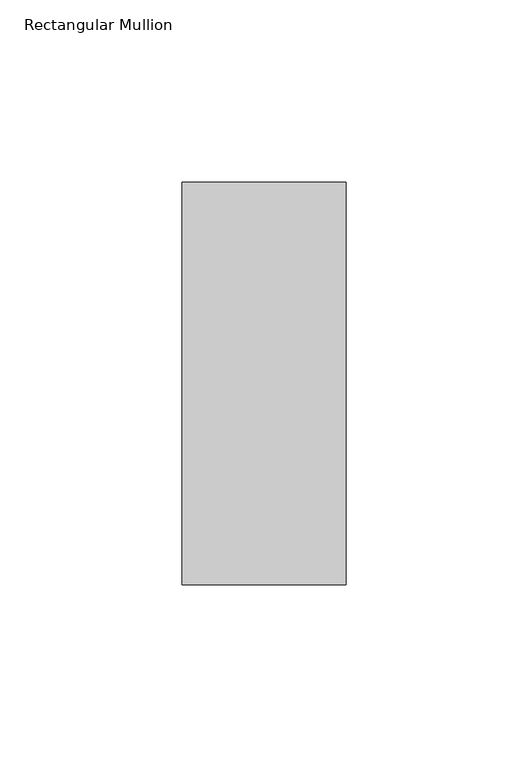
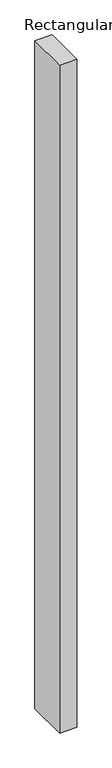
"""IFC4 building model written with IfcOpenShell, lengths in millimetres: member geometry, Rectangular Mullion."""

from ifc_helpers import new_model, si_unit, frame, origin, place, context, project, spatial, polyline, outline, extrude, source, transform, mapped, element, save


def rectangular_mullion_1a9bd3f8(model_context):
    return source(origin(), model_context, "Body", "SweptSolid", [
        extrude(outline(polyline([(22.5, 70.7), (22.5, -39.7), (-22.5, -39.7), (-22.5, 70.7), (22.5, 70.7)])), frame((0.0, 0.0, -1828.8), z_axis=(0.0, 0.0, 1.0), x_axis=(1.0, 0.0, 0.0)), (0.0, 0.0, 1.0), 1828.8),
    ])


if __name__ == "__main__":
    model = new_model("IFC4")
    model_context = context("Model", 3, world=origin())
    ifc_project = project(units=[si_unit("LENGTHUNIT", "METRE", prefix="MILLI")], contexts=[model_context])
    site = spatial("IfcSite", under=ifc_project)
    building = spatial("IfcBuilding", under=site)
    placement = place(None, origin())
    rectangular_mullion_shape = rectangular_mullion_1a9bd3f8(model_context)
    element("IfcMember", 1, ObjectType="Rectangular Mullion", at=placement, inside=building, context=model_context, shape_type="MappedRepresentation", body=[
        mapped(rectangular_mullion_shape, transform((0.0, 0.0, 0.0), x_axis=(1.0, 0.0, 0.0), y_axis=(0.0, 1.0, 0.0), z_axis=(0.0, 0.0, 1.0))),
    ])
    save(model, "model.ifc")
